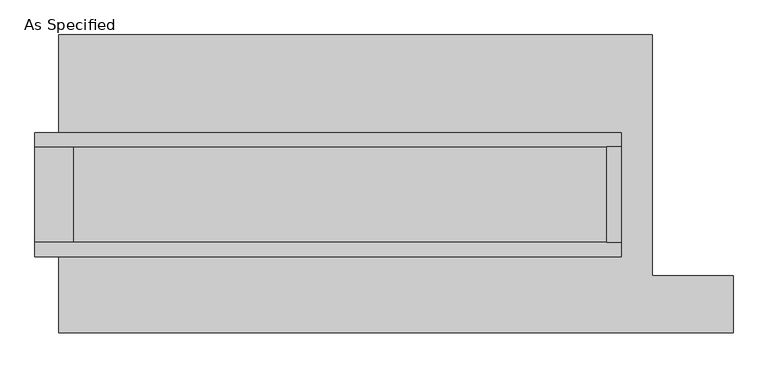
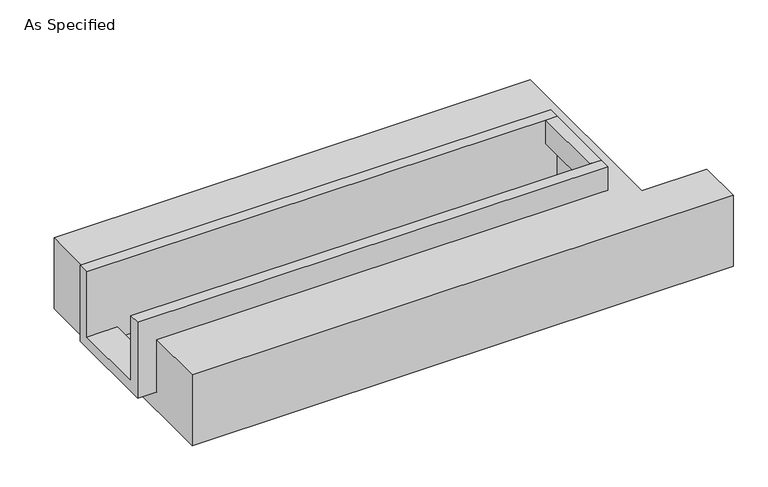
"""IFC4 building model written with IfcOpenShell, lengths in millimetres: proxy geometry, As Specified."""

from ifc_helpers import new_model, si_unit, frame, origin, place, context, project, spatial, polyline, outline, extrude, faceted_brep, source, transform, mapped, element, save


def as_specified_ecdf2c3b(model_context):
    return source(origin(), model_context, "Body", "SolidModel", [
        extrude(outline(polyline([(1339.85, 196.85), (1416.05, 196.85), (1416.05, -311.15), (1339.85, -311.15), (1339.85, 196.85)])), frame((0.0, 0.0, -25.4), z_axis=(0.0, 0.0, 1.0), x_axis=(1.0, 0.0, 0.0)), (0.0, 0.0, 1.0), 165.1),
        faceted_brep([(1416.05, 196.85, 139.7), (1416.05, 196.85, -317.5), (1416.05, -311.15, -317.5), (1416.05, -311.15, 139.7), (1416.05, -387.35, 139.7), (1416.05, -387.35, -393.7), (1416.05, 273.05, -393.7), (1416.05, 273.05, 139.7), (-1708.15, 196.85, 139.7), (-1708.15, 273.05, 139.7), (-1708.15, 273.05, -393.7), (-1708.15, -387.35, -393.7), (-1708.15, -387.35, 139.7), (-1708.15, -311.15, 139.7), (-1708.15, -311.15, -317.5), (-1708.15, 196.85, -317.5), (-1504.95, 196.85, -393.7), (-1504.95, -311.15, -393.7), (1339.85, -311.15, -393.7), (1339.85, 196.85, -393.7), (1339.85, -311.15, -317.5), (-1504.95, -311.15, -317.5), (1339.85, 196.85, -317.5), (-1504.95, 196.85, -317.5)], [[[0, 1, 2, 3, 4, 5, 6, 7]], [[8, 9, 10, 11, 12, 13, 14, 15]], [[0, 7, 9, 8]], [[7, 6, 10, 9]], [[6, 5, 11, 10], [16, 17, 18, 19]], [[4, 3, 13, 12]], [[3, 2, 20, 18, 17, 21, 14, 13]], [[2, 1, 22, 20]], [[15, 14, 21, 23]], [[1, 0, 8, 15, 23, 16, 19, 22]], [[21, 17, 16, 23]], [[18, 20, 22, 19]], [[5, 4, 12, 11]]]),
        faceted_brep([(-1581.15, 793.75, -523.9742188), (1581.15, 793.75, -523.9742188), (1581.15, -488.95, -523.9742188), (2012.95, -488.95, -523.9742188), (2012.95, -793.75, -523.9742188), (-1581.15, -793.75, -523.9742188), (1581.15, 793.75, -25.4), (-1581.15, 793.75, -25.4), (-1581.15, 273.05, -25.4), (1416.05, 273.05, -25.4), (1416.05, -387.35, -25.4), (-1581.15, -387.35, -25.4), (-1581.15, -793.75, -25.4), (2012.95, -793.75, -25.4), (2012.95, -488.95, -25.4), (1581.15, -488.95, -25.4), (-1581.15, -387.35, -393.7), (-1581.15, 273.05, -393.7), (1416.05, 273.05, -393.7), (1416.05, -387.35, -393.7)], [[[0, 1, 2, 3, 4, 5]], [[6, 7, 8, 9, 10, 11, 12, 13, 14, 15]], [[1, 0, 7, 6]], [[7, 0, 5, 12, 11, 16, 17, 8]], [[1, 6, 15, 2]], [[5, 4, 13, 12]], [[18, 19, 10, 9]], [[17, 18, 9, 8]], [[19, 18, 17, 16]], [[19, 16, 11, 10]], [[4, 3, 14, 13]], [[3, 2, 15, 14]]]),
    ])


if __name__ == "__main__":
    model = new_model("IFC4")
    model_context = context("Model", 3, world=origin())
    ifc_project = project(units=[si_unit("LENGTHUNIT", "METRE", prefix="MILLI")], contexts=[model_context])
    site = spatial("IfcSite", under=ifc_project)
    building = spatial("IfcBuilding", under=site)
    placement = place(None, origin())
    as_specified_shape = as_specified_ecdf2c3b(model_context)
    element("IfcBuildingElementProxy", 1, Name="As Specified", ObjectType="As Specified", at=placement, inside=building, context=model_context, shape_type="MappedRepresentation", body=[
        mapped(as_specified_shape, transform((0.0, 0.0, 0.0), x_axis=(1.0, 0.0, 0.0), y_axis=(0.0, 1.0, 0.0), z_axis=(0.0, 0.0, 1.0))),
    ])
    save(model, "model.ifc")
